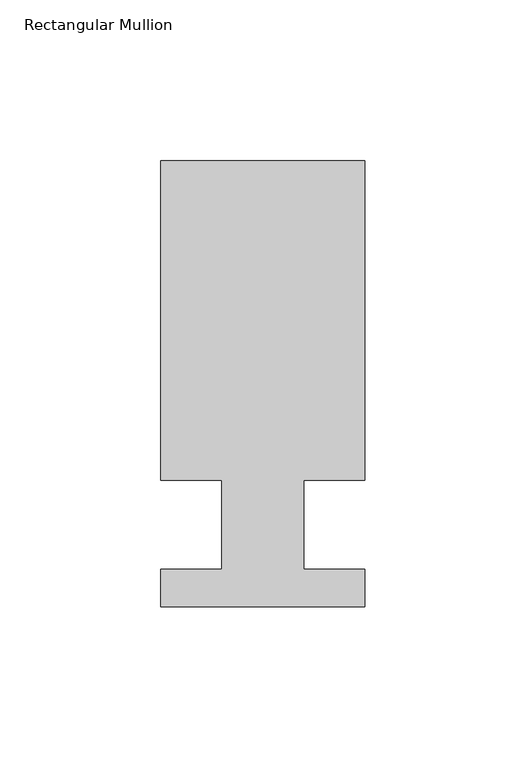
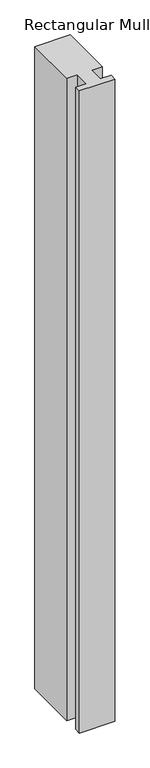
"""IFC4 building model written with IfcOpenShell, lengths in millimetres: member geometry, Rectangular Mullion."""

from ifc_helpers import new_model, si_unit, frame, origin, place, context, project, spatial, polyline, outline, extrude, source, transform, mapped, element, save


def rectangular_mullion_154b1ab7(model_context):
    return source(origin(), model_context, "Body", "SweptSolid", [
        extrude(outline(polyline([(31.75, 39.3898437), (12.7, 39.3898437), (12.7, 11.7038437), (31.75, 11.7038437), (31.75, 0.0219696), (-31.75, 0.0219696), (-31.75, 11.7038437), (-12.7, 11.7038437), (-12.7, 39.3898437), (-31.75, 39.3898437), (-31.75, 138.7038437), (31.75, 138.7038437), (31.75, 39.3898437)])), frame((0.0, 0.0, -1219.2), z_axis=(0.0, 0.0, 1.0), x_axis=(1.0, 0.0, 0.0)), (0.0, 0.0, 1.0), 1219.2),
    ])


if __name__ == "__main__":
    model = new_model("IFC4")
    model_context = context("Model", 3, world=origin())
    ifc_project = project(units=[si_unit("LENGTHUNIT", "METRE", prefix="MILLI")], contexts=[model_context])
    site = spatial("IfcSite", under=ifc_project)
    building = spatial("IfcBuilding", under=site)
    placement = place(None, origin())
    rectangular_mullion_shape = rectangular_mullion_154b1ab7(model_context)
    element("IfcMember", 1, ObjectType="Rectangular Mullion", at=placement, inside=building, context=model_context, shape_type="MappedRepresentation", body=[
        mapped(rectangular_mullion_shape, transform((0.0, 0.0, 0.0), x_axis=(1.0, 0.0, 0.0), y_axis=(0.0, 1.0, 0.0), z_axis=(0.0, 0.0, 1.0))),
    ])
    save(model, "model.ifc")
